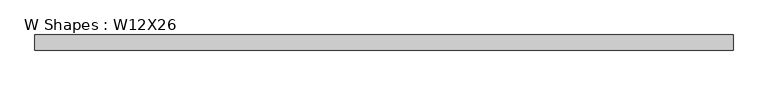
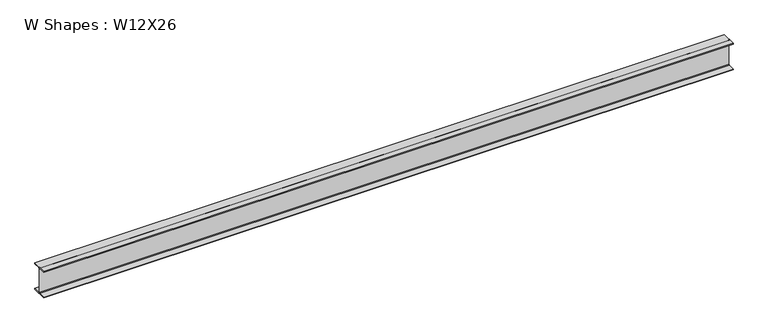
"""IFC4 building model written with IfcOpenShell, lengths in millimetres: beam geometry, W Shapes : W12X26."""

from ifc_helpers import new_model, si_unit, point, frame, frame_2d, origin, place, context, project, spatial, polyline, circle_curve, trimmed, segment, composite_curve, outline, extrude, source, transform, mapped, element, save


def w_shapes_w12x26_15bb6a58(model_context):
    return source(origin(), model_context, "Body", "SweptSolid", [
        extrude(outline(composite_curve([segment(polyline([(82.423, -145.288), (82.423, -154.94), (-82.423, -154.94), (-82.423, -145.288), (-10.541, -145.288)]), True, "CONTINUOUS"), segment(trimmed(circle_curve(frame_2d((-10.541, -137.668)), 7.62), [point((-10.541, -145.288))], [point((-2.921, -137.668))], True, "CARTESIAN"), True, "CONTINUOUS"), segment(polyline([(-2.921, -137.668), (-2.921, 137.668)]), True, "CONTINUOUS"), segment(trimmed(circle_curve(frame_2d((-10.541, 137.668)), 7.62), [point((-2.921, 137.668))], [point((-10.541, 145.288))], True, "CARTESIAN"), True, "CONTINUOUS"), segment(polyline([(-10.541, 145.288), (-82.423, 145.288), (-82.423, 154.94), (82.423, 154.94), (82.423, 145.288), (10.541, 145.288)]), True, "CONTINUOUS"), segment(trimmed(circle_curve(frame_2d((10.541, 137.668)), 7.62), [point((10.541, 145.288))], [point((2.921, 137.668))], True, "CARTESIAN"), True, "CONTINUOUS"), segment(polyline([(2.921, 137.668), (2.921, -137.668)]), True, "CONTINUOUS"), segment(trimmed(circle_curve(frame_2d((10.541, -137.668)), 7.62), [point((2.921, -137.668))], [point((10.541, -145.288))], True, "CARTESIAN"), True, "CONTINUOUS"), segment(polyline([(10.541, -145.288), (82.423, -145.288)]), True, "CONTINUOUS")], self_intersect=False)), frame((-3810.0, 0.0, 0.0), z_axis=(1.0, 0.0, 0.0), x_axis=(0.0, 1.0, 0.0)), (0.0, 0.0, 1.0), 7620.0),
    ])


if __name__ == "__main__":
    model = new_model("IFC4")
    model_context = context("Model", 3, world=origin())
    ifc_project = project(units=[si_unit("LENGTHUNIT", "METRE", prefix="MILLI")], contexts=[model_context])
    site = spatial("IfcSite", under=ifc_project)
    building = spatial("IfcBuilding", under=site)
    placement = place(None, origin())
    w_shapes_w12x26_shape = w_shapes_w12x26_15bb6a58(model_context)
    element("IfcBeam", 1, ObjectType="W Shapes : W12X26", at=placement, inside=building, context=model_context, shape_type="MappedRepresentation", body=[
        mapped(w_shapes_w12x26_shape, transform((0.0, 0.0, 0.0), x_axis=(1.0, 0.0, 0.0), y_axis=(0.0, 1.0, 0.0), z_axis=(0.0, 0.0, 1.0))),
    ])
    save(model, "model.ifc")
